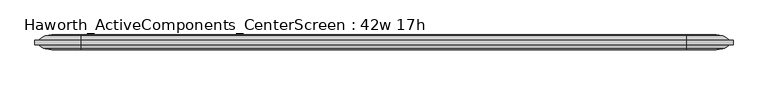
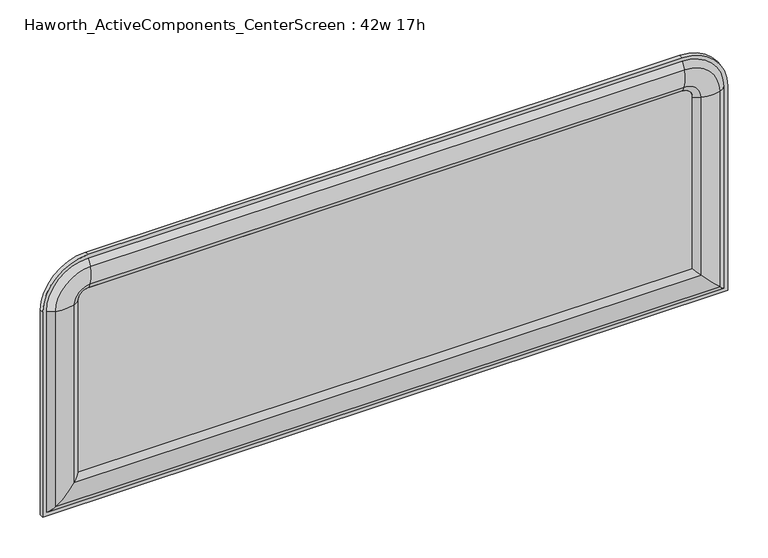
"""IFC4 building model written with IfcOpenShell, lengths in millimetres: furniture geometry, Haworth_ActiveComponents_CenterScreen : 42w 17h."""

from ifc_helpers import new_model, si_unit, point, frame, frame_2d, origin, place, context, project, spatial, polyline, circle_curve, ellipse_curve, trimmed, segment, composite_curve, outline, extrude, source, transform, mapped, element, save
from ifc_brep_helpers import plane_surface, cylinder_surface, revolved_surface, advanced_brep


def haworth_activecomponents_centerscreen_42w_17h_bb5e57cd(model_context):
    return source(origin(), model_context, "Body", "SolidModel", [
        advanced_brep(
        [(-397.6471882, 166.5621484, 974.0564604), (-397.6471882, 172.9121484, 974.0564604), (-397.6471882, 172.9121484, 639.2852418), (-397.6471882, 166.5621484, 639.2852418), (-382.1190318, 159.9159876, 974.0564604), (-391.7740135, 166.5621484, 974.0564604), (-391.7740135, 166.5621484, 645.1584165), (-382.1190318, 159.9159876, 654.8133982), (-353.1377339, 160.4494239, 974.0564604), (-353.1377339, 160.4494239, 683.794696), (-343.344509, 166.5621484, 974.0564604), (-343.344509, 166.5621484, 693.587921), (-343.344509, 172.9121484, 974.0564604), (-343.344509, 172.9121484, 693.587921), (-353.1377339, 179.024873, 974.0564604), (-353.1377339, 179.024873, 683.794696), (-382.1190318, 179.5583093, 974.0564604), (-382.1190318, 179.5583093, 654.8133982), (-391.7740135, 172.9121484, 974.0564604), (-391.7740135, 172.9121484, 645.1584165), (661.1721859, 172.9121484, 639.2852418), (661.1721859, 166.5621484, 639.2852418), (655.2990112, 166.5621484, 645.1584165), (645.6440295, 159.9159876, 654.8133982), (616.6627317, 160.4494239, 683.794696), (606.8695068, 166.5621484, 693.587921), (606.8695068, 172.9121484, 693.587921), (616.6627317, 179.024873, 683.794696), (645.6440295, 179.5583093, 654.8133982), (655.2990112, 172.9121484, 645.1584165), (661.1721859, 172.9121484, 974.0564604), (661.1721859, 166.5621484, 974.0564604), (655.2990112, 166.5621484, 974.0564604), (645.6440295, 159.9159876, 974.0564604), (616.6627317, 160.4494239, 974.0564604), (606.8695068, 166.5621484, 974.0564604), (606.8695068, 172.9121484, 974.0564604), (616.6627317, 179.024873, 974.0564604), (645.6440295, 179.5583093, 974.0564604), (655.2990112, 172.9121484, 974.0564604), (590.9945068, 166.5621484, 1044.2341395), (590.9945068, 172.9121484, 1044.2341395), (590.9945068, 159.9159876, 1028.7059832), (590.9945068, 166.5621484, 1038.3609648), (590.9945068, 160.4494239, 999.7246853), (590.9945068, 166.5621484, 989.9314604), (590.9945068, 172.9121484, 989.9314604), (590.9945068, 179.024873, 999.7246853), (590.9945068, 179.5583093, 1028.7059832), (590.9945068, 172.9121484, 1038.3609648), (-327.469509, 172.9121484, 1044.2341395), (-327.469509, 166.5621484, 1044.2341395), (-327.469509, 166.5621484, 1038.3609648), (-327.469509, 159.9159876, 1028.7059832), (-327.469509, 160.4494239, 999.7246853), (-327.469509, 166.5621484, 989.9314604), (-327.469509, 172.9121484, 989.9314604), (-327.469509, 179.024873, 999.7246853), (-327.469509, 179.5583093, 1028.7059832), (-327.469509, 172.9121484, 1038.3609648)],
        [
            (0, 1),
            (1, 2),
            (2, 3),
            (3, 0),
            (4, 5, circle_curve(frame((-377.9239346, 176.3463227, 974.0564604), z_axis=(0.0, 0.0, -1.0), x_axis=(0.0, -1.0, 0.0)), 16.9574394)),
            (5, 6),
            (6, 7, ellipse_curve(frame((-377.9239346, 176.3463227, 659.0084954), z_axis=(-0.7071067811865452, 0.0, 0.7071067811865498), x_axis=(0.7071067811865498, 0.0, 0.7071067811865452)), 23.9814408, 16.9574394)),
            (7, 4),
            (8, 4, circle_curve(frame((-368.5981786, 212.871172, 974.0564604), z_axis=(0.0, 0.0, -1.0), x_axis=(0.0, -1.0, 0.0)), 54.6540486)),
            (7, 9, ellipse_curve(frame((-368.5981786, 212.871172, 668.3342514), z_axis=(-0.7071067811865452, 0.0, 0.7071067811865498), x_axis=(0.7071067811865498, 0.0, 0.7071067811865452)), 77.2924967, 54.6540486)),
            (9, 8),
            (10, 8, circle_curve(frame((-359.2325958, 181.115279, 974.0564604), z_axis=(0.0, 0.0, -1.0), x_axis=(0.0, -1.0, 0.0)), 21.5458792)),
            (9, 11, ellipse_curve(frame((-359.2325958, 181.115279, 677.6998342), z_axis=(-0.7071067811865452, 0.0, 0.7071067811865498), x_axis=(0.7071067811865498, 0.0, 0.7071067811865452)), 30.4704745, 21.5458792)),
            (11, 10),
            (12, 10),
            (11, 13),
            (13, 12),
            (14, 12, circle_curve(frame((-359.2325958, 158.3590179, 974.0564604), z_axis=(0.0, 0.0, -1.0), x_axis=(0.0, -1.0, 0.0)), 21.5458792)),
            (13, 15, ellipse_curve(frame((-359.2325958, 158.3590179, 677.6998342), z_axis=(-0.7071067811865452, 0.0, 0.7071067811865498), x_axis=(0.7071067811865498, 0.0, 0.7071067811865452)), 30.4704745, 21.5458792)),
            (15, 14),
            (16, 14, circle_curve(frame((-368.5981786, 126.6031249, 974.0564604), z_axis=(0.0, 0.0, -1.0), x_axis=(0.0, -1.0, 0.0)), 54.6540486)),
            (15, 17, ellipse_curve(frame((-368.5981786, 126.6031249, 668.3342514), z_axis=(-0.7071067811865452, 0.0, 0.7071067811865498), x_axis=(0.7071067811865498, 0.0, 0.7071067811865452)), 77.2924967, 54.6540486)),
            (17, 16),
            (18, 16, circle_curve(frame((-377.9239346, 163.1279742, 974.0564604), z_axis=(0.0, 0.0, -1.0), x_axis=(0.0, -1.0, 0.0)), 16.9574394)),
            (17, 19, ellipse_curve(frame((-377.9239346, 163.1279742, 659.0084954), z_axis=(-0.7071067811865452, 0.0, 0.7071067811865498), x_axis=(0.7071067811865498, 0.0, 0.7071067811865452)), 23.9814408, 16.9574394)),
            (19, 18),
            (2, 20),
            (20, 21),
            (21, 3),
            (6, 22),
            (22, 23, ellipse_curve(frame((641.4489323, 176.3463227, 659.0084954), z_axis=(-0.7071067811865498, 0.0, -0.7071067811865452), x_axis=(-0.7071067811865452, 0.0, 0.7071067811865498)), 23.9814408, 16.9574394)),
            (23, 7),
            (23, 24, ellipse_curve(frame((632.1231764, 212.871172, 668.3342514), z_axis=(-0.7071067811865498, 0.0, -0.7071067811865452), x_axis=(-0.7071067811865452, 0.0, 0.7071067811865498)), 77.2924967, 54.6540486)),
            (24, 9),
            (24, 25, ellipse_curve(frame((622.7575935, 181.115279, 677.6998342), z_axis=(-0.7071067811865498, 0.0, -0.7071067811865452), x_axis=(-0.7071067811865452, 0.0, 0.7071067811865498)), 30.4704745, 21.5458792)),
            (25, 11),
            (25, 26),
            (26, 13),
            (26, 27, ellipse_curve(frame((622.7575935, 158.3590179, 677.6998342), z_axis=(-0.7071067811865498, 0.0, -0.7071067811865452), x_axis=(-0.7071067811865452, 0.0, 0.7071067811865498)), 30.4704745, 21.5458792)),
            (27, 15),
            (27, 28, ellipse_curve(frame((632.1231764, 126.6031249, 668.3342514), z_axis=(-0.7071067811865498, 0.0, -0.7071067811865452), x_axis=(-0.7071067811865452, 0.0, 0.7071067811865498)), 77.2924967, 54.6540486)),
            (28, 17),
            (28, 29, ellipse_curve(frame((641.4489323, 163.1279742, 659.0084954), z_axis=(-0.7071067811865498, 0.0, -0.7071067811865452), x_axis=(-0.7071067811865452, 0.0, 0.7071067811865498)), 23.9814408, 16.9574394)),
            (29, 19),
            (20, 30),
            (30, 31),
            (31, 21),
            (22, 32),
            (32, 33, circle_curve(frame((641.4489323, 176.3463227, 974.0564604), z_axis=(0.0, 0.0, -1.0), x_axis=(0.0, -1.0, 0.0)), 16.9574394)),
            (33, 23),
            (33, 34, circle_curve(frame((632.1231764, 212.871172, 974.0564604), z_axis=(0.0, 0.0, -1.0), x_axis=(0.0, -1.0, 0.0)), 54.6540486)),
            (34, 24),
            (34, 35, circle_curve(frame((622.7575935, 181.115279, 974.0564604), z_axis=(0.0, 0.0, -1.0), x_axis=(0.0, -1.0, 0.0)), 21.5458792)),
            (35, 25),
            (35, 36),
            (36, 26),
            (36, 37, circle_curve(frame((622.7575935, 158.3590179, 974.0564604), z_axis=(0.0, 0.0, -1.0), x_axis=(0.0, -1.0, 0.0)), 21.5458792)),
            (37, 27),
            (37, 38, circle_curve(frame((632.1231764, 126.6031249, 974.0564604), z_axis=(0.0, 0.0, -1.0), x_axis=(0.0, -1.0, 0.0)), 54.6540486)),
            (38, 28),
            (38, 39, circle_curve(frame((641.4489323, 163.1279742, 974.0564604), z_axis=(0.0, 0.0, -1.0), x_axis=(0.0, -1.0, 0.0)), 16.9574394)),
            (39, 29),
            (40, 31, circle_curve(frame((590.9945068, 166.5621484, 974.0564604), z_axis=(0.0, 1.0, 0.0), x_axis=(1.0, 0.0, 0.0)), 70.1776791)),
            (30, 41, circle_curve(frame((590.9945068, 172.9121484, 974.0564604), z_axis=(0.0, -1.0, 0.0), x_axis=(1.0, 0.0, 0.0)), 70.1776791)),
            (41, 40),
            (42, 33, circle_curve(frame((590.9945068, 159.9159876, 974.0564604), z_axis=(0.0, 1.0, 0.0), x_axis=(1.0, 0.0, 0.0)), 54.6495228)),
            (32, 43, circle_curve(frame((590.9945068, 166.5621484, 974.0564604), z_axis=(0.0, -1.0, 0.0), x_axis=(1.0, 0.0, 0.0)), 64.3045045)),
            (43, 42, circle_curve(frame((590.9945068, 176.3463227, 1024.5108859), z_axis=(1.0, 0.0, 0.0), x_axis=(0.0, -1.0, 0.0)), 16.9574394)),
            (44, 34, circle_curve(frame((590.9945068, 160.4494239, 974.0564604), z_axis=(0.0, 1.0, 0.0), x_axis=(1.0, 0.0, 0.0)), 25.6682249)),
            (42, 44, circle_curve(frame((590.9945068, 212.871172, 1015.18513), z_axis=(1.0, 0.0, 0.0), x_axis=(0.0, -1.0, 0.0)), 54.6540486)),
            (45, 35, circle_curve(frame((590.9945068, 166.5621484, 974.0564604), z_axis=(0.0, 1.0, 0.0), x_axis=(1.0, 0.0, 0.0)), 15.875)),
            (44, 45, circle_curve(frame((590.9945068, 181.115279, 1005.8195471), z_axis=(1.0, 0.0, 0.0), x_axis=(0.0, -1.0, 0.0)), 21.5458792)),
            (46, 36, circle_curve(frame((590.9945068, 172.9121484, 974.0564604), z_axis=(0.0, 1.0, 0.0), x_axis=(1.0, 0.0, 0.0)), 15.875)),
            (45, 46),
            (47, 37, circle_curve(frame((590.9945068, 179.024873, 974.0564604), z_axis=(0.0, 1.0, 0.0), x_axis=(1.0, 0.0, 0.0)), 25.6682249)),
            (46, 47, circle_curve(frame((590.9945068, 158.3590179, 1005.8195471), z_axis=(1.0, 0.0, 0.0), x_axis=(0.0, -1.0, 0.0)), 21.5458792)),
            (48, 38, circle_curve(frame((590.9945068, 179.5583093, 974.0564604), z_axis=(0.0, 1.0, 0.0), x_axis=(1.0, 0.0, 0.0)), 54.6495228)),
            (47, 48, circle_curve(frame((590.9945068, 126.6031249, 1015.18513), z_axis=(1.0, 0.0, 0.0), x_axis=(0.0, -1.0, 0.0)), 54.6540486)),
            (49, 39, circle_curve(frame((590.9945068, 172.9121484, 974.0564604), z_axis=(0.0, 1.0, 0.0), x_axis=(1.0, 0.0, 0.0)), 64.3045045)),
            (48, 49, circle_curve(frame((590.9945068, 163.1279742, 1024.5108859), z_axis=(1.0, 0.0, 0.0), x_axis=(0.0, -1.0, 0.0)), 16.9574394)),
            (41, 50),
            (50, 51),
            (51, 40),
            (43, 52),
            (52, 53, circle_curve(frame((-327.469509, 176.3463227, 1024.5108859), z_axis=(1.0, 0.0, 0.0), x_axis=(0.0, -1.0, 0.0)), 16.9574394)),
            (53, 42),
            (53, 54, circle_curve(frame((-327.469509, 212.871172, 1015.18513), z_axis=(1.0, 0.0, 0.0), x_axis=(0.0, -1.0, 0.0)), 54.6540486)),
            (54, 44),
            (54, 55, circle_curve(frame((-327.469509, 181.115279, 1005.8195471), z_axis=(1.0, 0.0, 0.0), x_axis=(0.0, -1.0, 0.0)), 21.5458792)),
            (55, 45),
            (55, 56),
            (56, 46),
            (56, 57, circle_curve(frame((-327.469509, 158.3590179, 1005.8195471), z_axis=(1.0, 0.0, 0.0), x_axis=(0.0, -1.0, 0.0)), 21.5458792)),
            (57, 47),
            (57, 58, circle_curve(frame((-327.469509, 126.6031249, 1015.18513), z_axis=(1.0, 0.0, 0.0), x_axis=(0.0, -1.0, 0.0)), 54.6540486)),
            (58, 48),
            (58, 59, circle_curve(frame((-327.469509, 163.1279742, 1024.5108859), z_axis=(1.0, 0.0, 0.0), x_axis=(0.0, -1.0, 0.0)), 16.9574394)),
            (59, 49),
            (0, 51, circle_curve(frame((-327.469509, 166.5621484, 974.0564604), z_axis=(0.0, 1.0, 0.0), x_axis=(0.0, 0.0, 1.0)), 70.1776791)),
            (50, 1, circle_curve(frame((-327.469509, 172.9121484, 974.0564604), z_axis=(0.0, -1.0, 0.0), x_axis=(0.0, 0.0, 1.0)), 70.1776791)),
            (5, 52, circle_curve(frame((-327.469509, 166.5621484, 974.0564604), z_axis=(0.0, 1.0, 0.0), x_axis=(0.0, 0.0, 1.0)), 64.3045045)),
            (4, 53, circle_curve(frame((-327.469509, 159.9159876, 974.0564604), z_axis=(0.0, 1.0, 0.0), x_axis=(0.0, 0.0, 1.0)), 54.6495228)),
            (8, 54, circle_curve(frame((-327.469509, 160.4494239, 974.0564604), z_axis=(0.0, 1.0, 0.0), x_axis=(0.0, 0.0, 1.0)), 25.6682249)),
            (10, 55, circle_curve(frame((-327.469509, 166.5621484, 974.0564604), z_axis=(0.0, 1.0, 0.0), x_axis=(0.0, 0.0, 1.0)), 15.875)),
            (12, 56, circle_curve(frame((-327.469509, 172.9121484, 974.0564604), z_axis=(0.0, 1.0, 0.0), x_axis=(0.0, 0.0, 1.0)), 15.875)),
            (14, 57, circle_curve(frame((-327.469509, 179.024873, 974.0564604), z_axis=(0.0, 1.0, 0.0), x_axis=(0.0, 0.0, 1.0)), 25.6682249)),
            (16, 58, circle_curve(frame((-327.469509, 179.5583093, 974.0564604), z_axis=(0.0, 1.0, 0.0), x_axis=(0.0, 0.0, 1.0)), 54.6495228)),
            (18, 59, circle_curve(frame((-327.469509, 172.9121484, 974.0564604), z_axis=(0.0, 1.0, 0.0), x_axis=(0.0, 0.0, 1.0)), 64.3045045)),
        ],
        [
            plane_surface(frame((-397.6471882, 172.9121484, 974.0564604), z_axis=(-1.0, 0.0, 0.0), x_axis=(0.0, 0.0, -1.0))),
            cylinder_surface(frame((-377.9239346, 176.3463227, 974.0564604), z_axis=(0.0, 0.0, 1.0), x_axis=(0.0, -1.0, 0.0)), 16.9574394),
            cylinder_surface(frame((-368.5981786, 212.871172, 974.0564604), z_axis=(0.0, 0.0, 1.0), x_axis=(0.0, -1.0, 0.0)), 54.6540486),
            cylinder_surface(frame((-359.2325958, 181.115279, 974.0564604), z_axis=(0.0, 0.0, 1.0), x_axis=(0.0, -1.0, 0.0)), 21.5458792),
            plane_surface(frame((-343.344509, 166.5621484, 974.0564604), z_axis=(1.0, 0.0, 0.0), x_axis=(0.0, 0.0, -1.0))),
            cylinder_surface(frame((-359.2325958, 158.3590179, 974.0564604), z_axis=(0.0, 0.0, 1.0), x_axis=(0.0, -1.0, 0.0)), 21.5458792),
            cylinder_surface(frame((-368.5981786, 126.6031249, 974.0564604), z_axis=(0.0, 0.0, 1.0), x_axis=(0.0, -1.0, 0.0)), 54.6540486),
            cylinder_surface(frame((-377.9239346, 163.1279742, 974.0564604), z_axis=(0.0, 0.0, 1.0), x_axis=(0.0, -1.0, 0.0)), 16.9574394),
            plane_surface(frame((-397.6471882, 172.9121484, 639.2852418), z_axis=(0.0, 0.0, -1.0), x_axis=(1.0, 0.0, 0.0))),
            cylinder_surface(frame((-343.344509, 176.3463227, 659.0084954), z_axis=(-1.0, 0.0, 0.0), x_axis=(0.0, -1.0, 0.0)), 16.9574394),
            cylinder_surface(frame((-343.344509, 212.871172, 668.3342514), z_axis=(-1.0, 0.0, 0.0), x_axis=(0.0, -1.0, 0.0)), 54.6540486),
            cylinder_surface(frame((-343.344509, 181.115279, 677.6998342), z_axis=(-1.0, 0.0, 0.0), x_axis=(0.0, -1.0, 0.0)), 21.5458792),
            plane_surface(frame((-343.344509, 166.5621484, 693.587921), z_axis=(0.0, 0.0, 1.0), x_axis=(1.0, 0.0, 0.0))),
            cylinder_surface(frame((-343.344509, 158.3590179, 677.6998342), z_axis=(-1.0, 0.0, 0.0), x_axis=(0.0, -1.0, 0.0)), 21.5458792),
            cylinder_surface(frame((-343.344509, 126.6031249, 668.3342514), z_axis=(-1.0, 0.0, 0.0), x_axis=(0.0, -1.0, 0.0)), 54.6540486),
            cylinder_surface(frame((-343.344509, 163.1279742, 659.0084954), z_axis=(-1.0, 0.0, 0.0), x_axis=(0.0, -1.0, 0.0)), 16.9574394),
            plane_surface(frame((661.1721859, 172.9121484, 639.2852418), z_axis=(1.0, 0.0, 0.0), x_axis=(0.0, 0.0, 1.0))),
            cylinder_surface(frame((641.4489323, 176.3463227, 693.587921), z_axis=(0.0, 0.0, -1.0), x_axis=(0.0, -1.0, 0.0)), 16.9574394),
            cylinder_surface(frame((632.1231764, 212.871172, 693.587921), z_axis=(0.0, 0.0, -1.0), x_axis=(0.0, -1.0, 0.0)), 54.6540486),
            cylinder_surface(frame((622.7575935, 181.115279, 693.587921), z_axis=(0.0, 0.0, -1.0), x_axis=(0.0, -1.0, 0.0)), 21.5458792),
            plane_surface(frame((606.8695068, 166.5621484, 693.587921), z_axis=(-1.0, 0.0, 0.0), x_axis=(0.0, 0.0, 1.0))),
            cylinder_surface(frame((622.7575935, 158.3590179, 693.587921), z_axis=(0.0, 0.0, -1.0), x_axis=(0.0, -1.0, 0.0)), 21.5458792),
            cylinder_surface(frame((632.1231764, 126.6031249, 693.587921), z_axis=(0.0, 0.0, -1.0), x_axis=(0.0, -1.0, 0.0)), 54.6540486),
            cylinder_surface(frame((641.4489323, 163.1279742, 693.587921), z_axis=(0.0, 0.0, -1.0), x_axis=(0.0, -1.0, 0.0)), 16.9574394),
            cylinder_surface(frame((590.9945068, 166.5621484, 974.0564604), z_axis=(0.0, -1.0, 0.0), x_axis=(1.0, 0.0, 0.0)), 70.1776791),
            revolved_surface(trimmed(ellipse_curve(frame((641.4489323, 176.3463227, 974.0564604), z_axis=(0.0, 0.0, -1.0), x_axis=(0.0, -1.0, 0.0)), 16.9574394, 16.9574394), [point((655.2990112, 166.5621484, 974.0564604))], [point((645.6440295, 159.9159876, 974.0564604))], True, "CARTESIAN"), (590.9945068, 166.5621484, 974.0564604), (0.0, -1.0, 0.0)),
            revolved_surface(trimmed(ellipse_curve(frame((632.1231764, 212.871172, 974.0564604), z_axis=(0.0, 0.0, -1.0), x_axis=(0.0, -1.0, 0.0)), 54.6540486, 54.6540486), [point((645.6440295, 159.9159876, 974.0564604))], [point((616.6627317, 160.4494239, 974.0564604))], True, "CARTESIAN"), (590.9945068, 166.5621484, 974.0564604), (0.0, -1.0, 0.0)),
            revolved_surface(trimmed(ellipse_curve(frame((622.7575935, 181.115279, 974.0564604), z_axis=(0.0, 0.0, -1.0), x_axis=(0.0, -1.0, 0.0)), 21.5458792, 21.5458792), [point((616.6627317, 160.4494239, 974.0564604))], [point((606.8695068, 166.5621484, 974.0564604))], True, "CARTESIAN"), (590.9945068, 166.5621484, 974.0564604), (0.0, -1.0, 0.0)),
            revolved_surface(polyline([(606.8695068, 166.5621484, 974.0564604), (606.8695068, 172.9121484, 974.0564604)]), (590.9945068, 166.5621484, 974.0564604), (0.0, -1.0, 0.0)),
            revolved_surface(trimmed(ellipse_curve(frame((622.7575935, 158.3590179, 974.0564604), z_axis=(0.0, 0.0, -1.0), x_axis=(0.0, -1.0, 0.0)), 21.5458792, 21.5458792), [point((606.8695068, 172.9121484, 974.0564604))], [point((616.6627317, 179.024873, 974.0564604))], True, "CARTESIAN"), (590.9945068, 166.5621484, 974.0564604), (0.0, -1.0, 0.0)),
            revolved_surface(trimmed(ellipse_curve(frame((632.1231764, 126.6031249, 974.0564604), z_axis=(0.0, 0.0, -1.0), x_axis=(0.0, -1.0, 0.0)), 54.6540486, 54.6540486), [point((616.6627317, 179.024873, 974.0564604))], [point((645.6440295, 179.5583093, 974.0564604))], True, "CARTESIAN"), (590.9945068, 166.5621484, 974.0564604), (0.0, -1.0, 0.0)),
            revolved_surface(trimmed(ellipse_curve(frame((641.4489323, 163.1279742, 974.0564604), z_axis=(0.0, 0.0, -1.0), x_axis=(0.0, -1.0, 0.0)), 16.9574394, 16.9574394), [point((645.6440295, 179.5583093, 974.0564604))], [point((655.2990112, 172.9121484, 974.0564604))], True, "CARTESIAN"), (590.9945068, 166.5621484, 974.0564604), (0.0, -1.0, 0.0)),
            plane_surface(frame((590.9945068, 172.9121484, 1044.2341395), z_axis=(0.0, 0.0, 1.0), x_axis=(-1.0, 0.0, 0.0))),
            cylinder_surface(frame((590.9945068, 176.3463227, 1024.5108859), z_axis=(1.0, 0.0, 0.0), x_axis=(0.0, -1.0, 0.0)), 16.9574394),
            cylinder_surface(frame((590.9945068, 212.871172, 1015.18513), z_axis=(1.0, 0.0, 0.0), x_axis=(0.0, -1.0, 0.0)), 54.6540486),
            cylinder_surface(frame((590.9945068, 181.115279, 1005.8195471), z_axis=(1.0, 0.0, 0.0), x_axis=(0.0, -1.0, 0.0)), 21.5458792),
            plane_surface(frame((590.9945068, 166.5621484, 989.9314604), z_axis=(0.0, 0.0, -1.0), x_axis=(-1.0, 0.0, 0.0))),
            cylinder_surface(frame((590.9945068, 158.3590179, 1005.8195471), z_axis=(1.0, 0.0, 0.0), x_axis=(0.0, -1.0, 0.0)), 21.5458792),
            cylinder_surface(frame((590.9945068, 126.6031249, 1015.18513), z_axis=(1.0, 0.0, 0.0), x_axis=(0.0, -1.0, 0.0)), 54.6540486),
            cylinder_surface(frame((590.9945068, 163.1279742, 1024.5108859), z_axis=(1.0, 0.0, 0.0), x_axis=(0.0, -1.0, 0.0)), 16.9574394),
            cylinder_surface(frame((-327.469509, 166.5621484, 974.0564604), z_axis=(0.0, -1.0, 0.0), x_axis=(0.0, 0.0, 1.0)), 70.1776791),
            plane_surface(frame((-327.469509, 166.5621484, 974.0564604), z_axis=(0.0, -1.0, 0.0), x_axis=(0.0, 0.0, 1.0))),
            revolved_surface(trimmed(ellipse_curve(frame((-327.469509, 176.3463227, 1024.5108859), z_axis=(1.0, 0.0, 0.0), x_axis=(0.0, -1.0, 0.0)), 16.9574394, 16.9574394), [point((-327.469509, 166.5621484, 1038.3609648))], [point((-327.469509, 159.9159876, 1028.7059832))], True, "CARTESIAN"), (-327.469509, 166.5621484, 974.0564604), (0.0, -1.0, 0.0)),
            revolved_surface(trimmed(ellipse_curve(frame((-327.469509, 212.871172, 1015.18513), z_axis=(1.0, 0.0, 0.0), x_axis=(0.0, -1.0, 0.0)), 54.6540486, 54.6540486), [point((-327.469509, 159.9159876, 1028.7059832))], [point((-327.469509, 160.4494239, 999.7246853))], True, "CARTESIAN"), (-327.469509, 166.5621484, 974.0564604), (0.0, -1.0, 0.0)),
            revolved_surface(trimmed(ellipse_curve(frame((-327.469509, 181.115279, 1005.8195471), z_axis=(1.0, 0.0, 0.0), x_axis=(0.0, -1.0, 0.0)), 21.5458792, 21.5458792), [point((-327.469509, 160.4494239, 999.7246853))], [point((-327.469509, 166.5621484, 989.9314604))], True, "CARTESIAN"), (-327.469509, 166.5621484, 974.0564604), (0.0, -1.0, 0.0)),
            revolved_surface(polyline([(-327.469509, 166.5621484, 989.9314604), (-327.469509, 172.9121484, 989.9314604)]), (-327.469509, 166.5621484, 974.0564604), (0.0, -1.0, 0.0)),
            revolved_surface(trimmed(ellipse_curve(frame((-327.469509, 158.3590179, 1005.8195471), z_axis=(1.0, 0.0, 0.0), x_axis=(0.0, -1.0, 0.0)), 21.5458792, 21.5458792), [point((-327.469509, 172.9121484, 989.9314604))], [point((-327.469509, 179.024873, 999.7246853))], True, "CARTESIAN"), (-327.469509, 166.5621484, 974.0564604), (0.0, -1.0, 0.0)),
            revolved_surface(trimmed(ellipse_curve(frame((-327.469509, 126.6031249, 1015.18513), z_axis=(1.0, 0.0, 0.0), x_axis=(0.0, -1.0, 0.0)), 54.6540486, 54.6540486), [point((-327.469509, 179.024873, 999.7246853))], [point((-327.469509, 179.5583093, 1028.7059832))], True, "CARTESIAN"), (-327.469509, 166.5621484, 974.0564604), (0.0, -1.0, 0.0)),
            revolved_surface(trimmed(ellipse_curve(frame((-327.469509, 163.1279742, 1024.5108859), z_axis=(1.0, 0.0, 0.0), x_axis=(0.0, -1.0, 0.0)), 16.9574394, 16.9574394), [point((-327.469509, 179.5583093, 1028.7059832))], [point((-327.469509, 172.9121484, 1038.3609648))], True, "CARTESIAN"), (-327.469509, 166.5621484, 974.0564604), (0.0, -1.0, 0.0)),
            plane_surface(frame((-327.469509, 172.9121484, 974.0564604), z_axis=(0.0, 1.0, 0.0), x_axis=(0.0, 0.0, 1.0))),
        ],
        [
            (0, [[1, 2, 3, 4]]),
            (1, [[5, 6, 7, 8]]),
            (2, [[9, -8, 10, 11]]),
            (3, [[12, -11, 13, 14]]),
            (4, [[15, -14, 16, 17]]),
            (5, [[18, -17, 19, 20]]),
            (6, [[21, -20, 22, 23]]),
            (7, [[24, -23, 25, 26]]),
            (8, [[-3, 27, 28, 29]]),
            (9, [[-7, 30, 31, 32]]),
            (10, [[-10, -32, 33, 34]]),
            (11, [[-13, -34, 35, 36]]),
            (12, [[-16, -36, 37, 38]]),
            (13, [[-19, -38, 39, 40]]),
            (14, [[-22, -40, 41, 42]]),
            (15, [[-25, -42, 43, 44]]),
            (16, [[-28, 45, 46, 47]]),
            (17, [[-31, 48, 49, 50]]),
            (18, [[-33, -50, 51, 52]]),
            (19, [[-35, -52, 53, 54]]),
            (20, [[-37, -54, 55, 56]]),
            (21, [[-39, -56, 57, 58]]),
            (22, [[-41, -58, 59, 60]]),
            (23, [[-43, -60, 61, 62]]),
            (24, [[63, -46, 64, 65]]),
            (25, [[66, -49, 67, 68]]),
            (26, [[69, -51, -66, 70]]),
            (27, [[71, -53, -69, 72]]),
            (28, [[73, -55, -71, 74]]),
            (29, [[75, -57, -73, 76]]),
            (30, [[77, -59, -75, 78]]),
            (31, [[79, -61, -77, 80]]),
            (32, [[-65, 81, 82, 83]]),
            (33, [[-68, 84, 85, 86]]),
            (34, [[-70, -86, 87, 88]]),
            (35, [[-72, -88, 89, 90]]),
            (36, [[-74, -90, 91, 92]]),
            (37, [[-76, -92, 93, 94]]),
            (38, [[-78, -94, 95, 96]]),
            (39, [[-80, -96, 97, 98]]),
            (40, [[99, -82, 100, -1]]),
            (41, [[-63, -83, -99, -4, -29, -47], [101, -84, -67, -48, -30, -6]]),
            (42, [[102, -85, -101, -5]]),
            (43, [[103, -87, -102, -9]]),
            (44, [[104, -89, -103, -12]]),
            (45, [[105, -91, -104, -15]]),
            (46, [[106, -93, -105, -18]]),
            (47, [[107, -95, -106, -21]]),
            (48, [[108, -97, -107, -24]]),
            (49, [[-100, -81, -64, -45, -27, -2], [-79, -98, -108, -26, -44, -62]]),
        ],
    ),
        extrude(outline(composite_curve([segment(polyline([(693.587921, 606.8695068), (974.0564604, 606.8695068)]), True, "CONTINUOUS"), segment(trimmed(circle_curve(frame_2d((974.0564604, 590.9945068)), 15.875), [point((974.0564604, 606.8695068))], [point((989.9314604, 590.9945068))], False, "CARTESIAN"), True, "CONTINUOUS"), segment(polyline([(989.9314604, 590.9945068), (989.9314604, -327.469509)]), True, "CONTINUOUS"), segment(trimmed(circle_curve(frame_2d((974.0564604, -327.469509)), 15.875), [point((989.9314604, -327.469509))], [point((974.0564604, -343.344509))], False, "CARTESIAN"), True, "CONTINUOUS"), segment(polyline([(974.0564604, -343.344509), (693.587921, -343.344509), (693.587921, 606.8695068)]), True, "CONTINUOUS")], self_intersect=False)), frame((0.0, 166.5621484, 0.0), z_axis=(0.0, 1.0, 0.0), x_axis=(0.0, 0.0, 1.0)), (0.0, 0.0, 1.0), 6.35),
    ])


if __name__ == "__main__":
    model = new_model("IFC4")
    model_context = context("Model", 3, world=origin())
    ifc_project = project(units=[si_unit("LENGTHUNIT", "METRE", prefix="MILLI")], contexts=[model_context])
    site = spatial("IfcSite", under=ifc_project)
    building = spatial("IfcBuilding", under=site)
    placement = place(None, origin())
    haworth_activecomponents_centerscreen_42w_17h_shape = haworth_activecomponents_centerscreen_42w_17h_bb5e57cd(model_context)
    element("IfcFurniture", 1, ObjectType="Haworth_ActiveComponents_CenterScreen : 42w 17h", at=placement, inside=building, context=model_context, shape_type="MappedRepresentation", body=[
        mapped(haworth_activecomponents_centerscreen_42w_17h_shape, transform((0.0, 0.0, 0.0), x_axis=(1.0, 0.0, 0.0), y_axis=(0.0, 1.0, 0.0), z_axis=(0.0, 0.0, 1.0))),
    ])
    save(model, "model.ifc")
